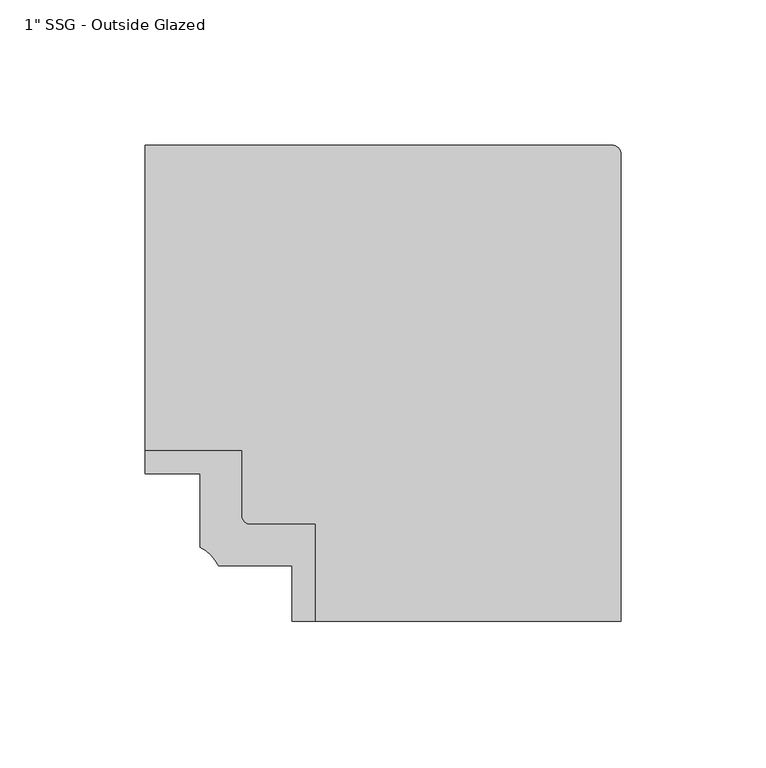
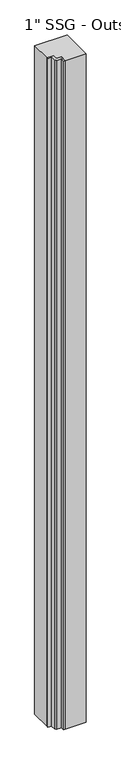
"""IFC4 building model written with IfcOpenShell, lengths in millimetres: proxy geometry."""

from ifc_helpers import new_model, si_unit, point, frame, frame_2d, origin, place, context, project, spatial, polyline, circle_curve, trimmed, segment, composite_curve, outline, extrude, source, transform, mapped, element, save
from ifc_brep_helpers import plane_surface, cylinder_surface, advanced_brep


def proxy_49441725(model_context):
    return source(origin(), model_context, "Body", "SolidModel", [
        extrude(outline(composite_curve([segment(polyline([(-25.3999908, 25.3633181), (-25.3999908, 33.3041571), (7.9163844, 33.3041571), (7.9163844, 11.1087102)]), True, "CONTINUOUS"), segment(trimmed(circle_curve(frame_2d((11.1030572, 11.1087102)), 3.1866728), [point((7.9163844, 11.1087102))], [point((11.1030572, 7.9220374))], True, "CARTESIAN"), True, "CONTINUOUS"), segment(polyline([(11.1030572, 7.9220374), (33.3163844, 7.9220374), (33.3163844, -25.4084081), (25.4, -25.4084081), (25.4, -6.3622273), (0.0, -6.3622273)]), True, "CONTINUOUS"), segment(trimmed(circle_curve(frame_2d((-11.6045683, -11.6167956)), 12.7387791), [point((0.0, -6.3622273))], [point((-6.35, -0.0122273))], True, "CARTESIAN"), True, "CONTINUOUS"), segment(polyline([(-6.35, -0.0122273), (-6.35, 25.3633181), (-25.3999908, 25.3633181)]), True, "CONTINUOUS")], self_intersect=False)), frame((0.0, 0.0, 63.5), z_axis=(0.0, 0.0, 1.0), x_axis=(1.0, 0.0, 0.0)), (0.0, 0.0, 1.0), 3556.0),
        advanced_brep(
        [(-25.3999908, 33.3041571, 3619.5), (7.9163844, 33.3041571, 3619.5), (7.9163844, 11.1087102, 3619.5), (11.1030572, 7.9220374, 3619.5), (33.3163844, 7.9220374, 3619.5), (33.3163844, -25.4084081, 3619.5), (138.726322, -25.4084081, 3619.5), (138.726322, 135.4289405, 3619.5), (135.5532035, 138.7132286, 3619.5), (-25.3999908, 138.7141571, 3619.5), (-25.3999908, 33.3041571, 63.5), (-25.3999908, 138.7141571, 63.5), (135.5532035, 138.7141571, 63.5), (138.726322, 135.4289405, 63.5), (138.726322, -25.4084081, 63.5), (33.3163844, -25.4084081, 63.5), (33.3163844, 7.9220374, 63.5), (11.1030572, 7.9220374, 63.5), (7.9163844, 11.1087102, 63.5), (7.9163844, 33.3041571, 63.5)],
        [
            (0, 1),
            (1, 2),
            (2, 3, circle_curve(frame((11.1030572, 11.1087102, 3619.5), z_axis=(0.0, 0.0, 1.0), x_axis=(1.0, 0.0, 0.0)), 3.1866728)),
            (3, 4),
            (4, 5),
            (5, 6),
            (6, 7),
            (7, 8, circle_curve(frame((135.5532035, 135.5382286, 3619.5), z_axis=(0.0, 0.0, 1.0), x_axis=(1.0, 0.0, 0.0)), 3.175)),
            (8, 9),
            (9, 0),
            (10, 11),
            (11, 12),
            (12, 13, circle_curve(frame((135.5532035, 135.5382286, 63.5), z_axis=(0.0, 0.0, -1.0), x_axis=(1.0, 0.0, 0.0)), 3.175)),
            (13, 14),
            (14, 15),
            (15, 16),
            (16, 17),
            (17, 18, circle_curve(frame((11.1030572, 11.1087102, 63.5), z_axis=(0.0, 0.0, -1.0), x_axis=(1.0, 0.0, 0.0)), 3.1866728)),
            (18, 19),
            (19, 10),
            (0, 10),
            (19, 1),
            (18, 2),
            (3, 17),
            (16, 4),
            (15, 5),
            (14, 6),
            (13, 7),
            (12, 8),
            (11, 9),
        ],
        [
            plane_surface(frame((-2.0317379, 33.3041571, 3619.5), z_axis=(0.0, 0.0, 1.0), x_axis=(1.0, 0.0, 0.0))),
            plane_surface(frame((-2.0317379, 33.3041571, 63.5), z_axis=(0.0, 0.0, -1.0), x_axis=(-1.0, 0.0, 0.0))),
            plane_surface(frame((-25.3999908, 33.3041571, 3619.5), z_axis=(0.0, -1.0, 0.0), x_axis=(0.0, 0.0, -1.0))),
            plane_surface(frame((7.9163844, 33.3041571, 3619.5), z_axis=(-1.0, 0.0, 0.0), x_axis=(0.0, 0.0, -1.0))),
            plane_surface(frame((11.1030572, 7.9220374, 3619.5), z_axis=(0.0, -1.0, 0.0), x_axis=(0.0, 0.0, -1.0))),
            plane_surface(frame((33.3163844, 7.9220374, 3619.5), z_axis=(-1.0, 0.0, 0.0), x_axis=(0.0, 0.0, -1.0))),
            plane_surface(frame((33.3163844, -25.4084081, 3619.5), z_axis=(0.0, -1.0, 0.0), x_axis=(0.0, 0.0, -1.0))),
            plane_surface(frame((138.726322, -25.4084081, 3619.5), z_axis=(1.0, 0.0, 0.0), x_axis=(0.0, 0.0, -1.0))),
            cylinder_surface(frame((135.5532035, 135.5382286, 63.5), z_axis=(0.0, 0.0, 1.0), x_axis=(1.0, 0.0, 0.0)), 3.175),
            plane_surface(frame((135.5532035, 138.7141571, 3619.5), z_axis=(0.0, 1.0, 0.0), x_axis=(0.0, 0.0, -1.0))),
            plane_surface(frame((-25.3999908, 138.7141571, 3619.5), z_axis=(-1.0, 0.0, 0.0), x_axis=(0.0, 0.0, -1.0))),
            cylinder_surface(frame((11.1030572, 11.1087102, 63.5), z_axis=(0.0, 0.0, 1.0), x_axis=(1.0, 0.0, 0.0)), 3.1866728),
        ],
        [
            (0, [[1, 2, 3, 4, 5, 6, 7, 8, 9, 10]]),
            (1, [[11, 12, 13, 14, 15, 16, 17, 18, 19, 20]]),
            (2, [[-1, 21, -20, 22]]),
            (3, [[-2, -22, -19, 23]]),
            (4, [[-4, 24, -17, 25]]),
            (5, [[-5, -25, -16, 26]]),
            (6, [[-6, -26, -15, 27]]),
            (7, [[-7, -27, -14, 28]]),
            (8, [[-8, -28, -13, 29]]),
            (9, [[-9, -29, -12, 30]]),
            (10, [[-10, -30, -11, -21]]),
            (11, [[-3, -23, -18, -24]]),
        ],
    ),
    ])


if __name__ == "__main__":
    model = new_model("IFC4")
    model_context = context("Model", 3, world=origin())
    ifc_project = project(units=[si_unit("LENGTHUNIT", "METRE", prefix="MILLI")], contexts=[model_context])
    site = spatial("IfcSite", under=ifc_project)
    building = spatial("IfcBuilding", under=site)
    placement = place(None, origin())
    proxy_shape = proxy_49441725(model_context)
    element("IfcBuildingElementProxy", 1, Name="1\" SSG - Outside Glazed", ObjectType="1\" SSG - Outside Glazed", at=placement, inside=building, context=model_context, shape_type="MappedRepresentation", body=[
        mapped(proxy_shape, transform((0.0, 0.0, 0.0), x_axis=(1.0, 0.0, 0.0), y_axis=(0.0, 1.0, 0.0), z_axis=(0.0, 0.0, 1.0))),
    ])
    save(model, "model.ifc")
